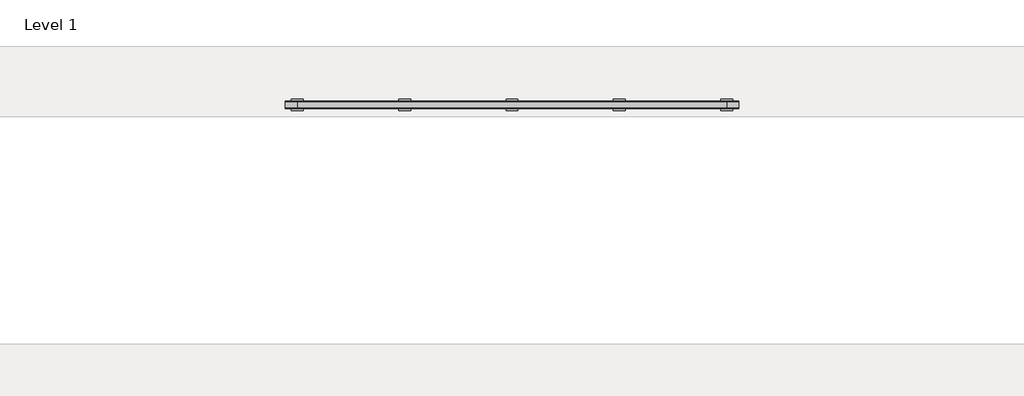
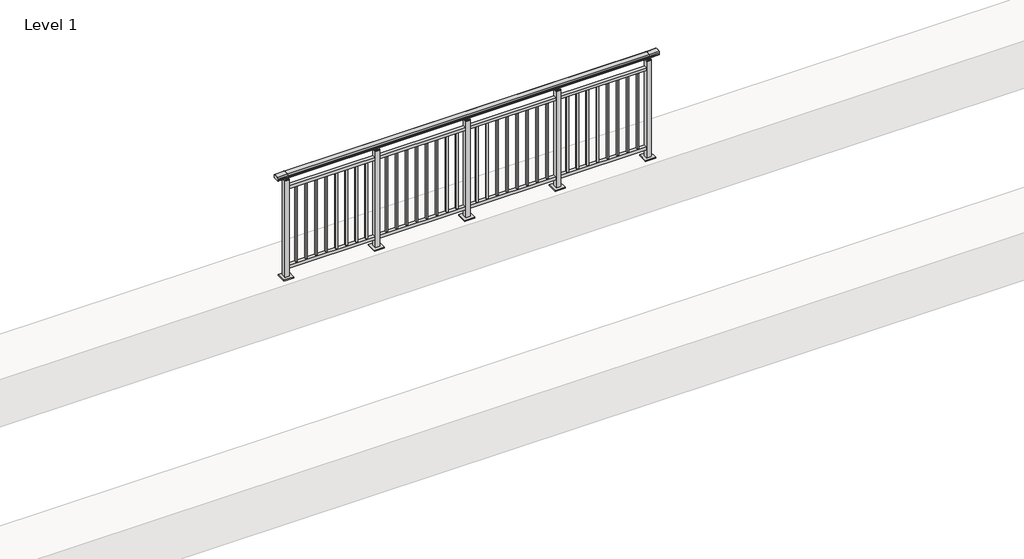
# One storey, part 13 of 64: 1 railing.
"""IFC4 building model written with IfcOpenShell, lengths in millimetres."""

from ifc_helpers import new_model, si_unit, frame, origin, origin_with_axes, place, context, project, spatial, polyline, circle_curve, outline, extrude, element, save
from ifc_brep_helpers import plane_surface, cylinder_surface, revolved_surface, advanced_brep

model = new_model("IFC4")

# Units and contexts
model_context = context("Model", 3, world=origin())
ifc_project = project(units=[si_unit("LENGTHUNIT", "METRE", prefix="MILLI")], contexts=[model_context])

# Site, building, storey
site = spatial("IfcSite", under=ifc_project)
building = spatial("IfcBuilding", under=site)
storey = spatial("IfcBuildingStorey", under=building, Name="Level 1", Elevation=0.0)

# Railing
placement = place(None, origin())
element("IfcRailing", 1, at=placement, inside=storey, context=model_context, shape_type="SolidModel", body=[
    advanced_brep(
    [(6400.0, 7525.3633756, 1095.6691182), (6400.0, 7530.1846828, 1081.1334092), (6400.0, 7529.2413744, 1069.2539035), (6400.0, 7531.1364177, 1061.4863007), (6400.0, 7529.4894799, 1060.384124), (6400.0, 7529.4894799, 1062.0), (6400.0, 7470.8798858, 1062.0), (6400.0, 7470.8798858, 1060.384124), (6400.0, 7469.232948, 1061.4863007), (6400.0, 7471.1279912, 1069.2539035), (6400.0, 7470.1846828, 1081.1334092), (6400.0, 7475.00599, 1095.6691182), (10200.0, 7525.3633756, 1095.6691182), (10200.0, 7475.00599, 1095.6691182), (10200.0, 7470.1846828, 1081.1334092), (10200.0, 7471.1279912, 1069.2539035), (10200.0, 7469.232948, 1061.4863007), (10200.0, 7470.8798858, 1060.384124), (10200.0, 7470.8798858, 1062.0), (10200.0, 7529.4894799, 1062.0), (10200.0, 7529.4894799, 1060.384124), (10200.0, 7531.1364177, 1061.4863007), (10200.0, 7529.2413744, 1069.2539035), (10200.0, 7530.1846828, 1081.1334092), (6500.0, 7525.3633756, 1095.6691182), (6500.0, 7530.1846828, 1081.1334092), (6500.0, 7529.2413744, 1069.2539035), (6500.0, 7531.1364177, 1061.4863007), (6500.0, 7529.4894799, 1060.384124), (6500.0, 7529.4894799, 1062.0), (6500.0, 7470.8798858, 1062.0), (6500.0, 7470.8798858, 1060.384124), (6500.0, 7469.232948, 1061.4863007), (6500.0, 7471.1279912, 1069.2539035), (6500.0, 7470.1846828, 1081.1334092), (6500.0, 7475.00599, 1095.6691182), (10100.0, 7525.3633756, 1095.6691182), (10100.0, 7530.1846828, 1081.1334092), (10100.0, 7529.2413744, 1069.2539035), (10100.0, 7531.1364177, 1061.4863007), (10100.0, 7529.4894799, 1060.384124), (10100.0, 7529.4894799, 1062.0), (10100.0, 7470.8798858, 1062.0), (10100.0, 7470.8798858, 1060.384124), (10100.0, 7469.232948, 1061.4863007), (10100.0, 7471.1279912, 1069.2539035), (10100.0, 7470.1846828, 1081.1334092), (10100.0, 7475.00599, 1095.6691182)],
    [
        (0, 1, circle_curve(frame((6400.0, 7522.1223845, 1086.526686), z_axis=(-1.0, 0.0, 0.0), x_axis=(0.0, -1.0, 0.0)), 9.6999015)),
        (1, 2, circle_curve(frame((6400.0, 7547.7252545, 1073.7633709), z_axis=(1.0, 0.0, 0.0), x_axis=(0.0, -1.0, 0.0)), 19.0260117)),
        (2, 3),
        (3, 4, circle_curve(frame((6400.0, 7530.2772073, 1060.9886194), z_axis=(-1.0, 0.0, 0.0), x_axis=(0.0, -1.0, 0.0)), 0.9929396)),
        (4, 5),
        (5, 6),
        (6, 7),
        (7, 8, circle_curve(frame((6400.0, 7470.0921584, 1060.9886194), z_axis=(-1.0, 0.0, 0.0), x_axis=(0.0, 1.0, 0.0)), 0.9929396)),
        (8, 9),
        (9, 10, circle_curve(frame((6400.0, 7452.6441111, 1073.7633709), z_axis=(1.0, 0.0, 0.0), x_axis=(0.0, 1.0, 0.0)), 19.0260117)),
        (10, 11, circle_curve(frame((6400.0, 7478.2469812, 1086.526686), z_axis=(-1.0, 0.0, 0.0), x_axis=(0.0, 1.0, 0.0)), 9.6999015)),
        (11, 0, circle_curve(frame((6400.0, 7500.1846828, 1024.6431628), z_axis=(-1.0, 0.0, 0.0), x_axis=(0.0, 1.0, 0.0)), 75.3568372)),
        (12, 13, circle_curve(frame((10200.0, 7500.1846828, 1024.6431628), z_axis=(1.0, 0.0, 0.0), x_axis=(0.0, 1.0, 0.0)), 75.3568372)),
        (13, 14, circle_curve(frame((10200.0, 7478.2469812, 1086.526686), z_axis=(1.0, 0.0, 0.0), x_axis=(0.0, 1.0, 0.0)), 9.6999015)),
        (14, 15, circle_curve(frame((10200.0, 7452.6441111, 1073.7633709), z_axis=(-1.0, 0.0, 0.0), x_axis=(0.0, 1.0, 0.0)), 19.0260117)),
        (15, 16),
        (16, 17, circle_curve(frame((10200.0, 7470.0921584, 1060.9886194), z_axis=(1.0, 0.0, 0.0), x_axis=(0.0, 1.0, 0.0)), 0.9929396)),
        (17, 18),
        (18, 19),
        (19, 20),
        (20, 21, circle_curve(frame((10200.0, 7530.2772073, 1060.9886194), z_axis=(1.0, 0.0, 0.0), x_axis=(0.0, -1.0, 0.0)), 0.9929396)),
        (21, 22),
        (22, 23, circle_curve(frame((10200.0, 7547.7252545, 1073.7633709), z_axis=(-1.0, 0.0, 0.0), x_axis=(0.0, -1.0, 0.0)), 19.0260117)),
        (23, 12, circle_curve(frame((10200.0, 7522.1223845, 1086.526686), z_axis=(1.0, 0.0, 0.0), x_axis=(0.0, -1.0, 0.0)), 9.6999015)),
        (0, 24),
        (24, 25, circle_curve(frame((6500.0, 7522.1223845, 1086.526686), z_axis=(-1.0, 0.0, 0.0), x_axis=(0.0, -1.0, 0.0)), 9.6999015)),
        (25, 1),
        (25, 26, circle_curve(frame((6500.0, 7547.7252545, 1073.7633709), z_axis=(1.0, 0.0, 0.0), x_axis=(0.0, -1.0, 0.0)), 19.0260117)),
        (26, 2),
        (26, 27),
        (27, 3),
        (27, 28, circle_curve(frame((6500.0, 7530.2772073, 1060.9886194), z_axis=(-1.0, 0.0, 0.0), x_axis=(0.0, -1.0, 0.0)), 0.9929396)),
        (28, 4),
        (28, 29),
        (29, 5),
        (29, 30),
        (30, 6),
        (30, 31),
        (31, 7),
        (31, 32, circle_curve(frame((6500.0, 7470.0921584, 1060.9886194), z_axis=(-1.0, 0.0, 0.0), x_axis=(0.0, 1.0, 0.0)), 0.9929396)),
        (32, 8),
        (32, 33),
        (33, 9),
        (33, 34, circle_curve(frame((6500.0, 7452.6441111, 1073.7633709), z_axis=(1.0, 0.0, 0.0), x_axis=(0.0, 1.0, 0.0)), 19.0260117)),
        (34, 10),
        (34, 35, circle_curve(frame((6500.0, 7478.2469812, 1086.526686), z_axis=(-1.0, 0.0, 0.0), x_axis=(0.0, 1.0, 0.0)), 9.6999015)),
        (35, 11),
        (35, 24, circle_curve(frame((6500.0, 7500.1846828, 1024.6431628), z_axis=(-1.0, 0.0, 0.0), x_axis=(0.0, 1.0, 0.0)), 75.3568372)),
        (24, 36),
        (36, 37, circle_curve(frame((10100.0, 7522.1223845, 1086.526686), z_axis=(-1.0, 0.0, 0.0), x_axis=(0.0, -1.0, 0.0)), 9.6999015)),
        (37, 25),
        (37, 38, circle_curve(frame((10100.0, 7547.7252545, 1073.7633709), z_axis=(1.0, 0.0, 0.0), x_axis=(0.0, -1.0, 0.0)), 19.0260117)),
        (38, 26),
        (38, 39),
        (39, 27),
        (39, 40, circle_curve(frame((10100.0, 7530.2772073, 1060.9886194), z_axis=(-1.0, 0.0, 0.0), x_axis=(0.0, -1.0, 0.0)), 0.9929396)),
        (40, 28),
        (40, 41),
        (41, 29),
        (41, 42),
        (42, 30),
        (42, 43),
        (43, 31),
        (43, 44, circle_curve(frame((10100.0, 7470.0921584, 1060.9886194), z_axis=(-1.0, 0.0, 0.0), x_axis=(0.0, 1.0, 0.0)), 0.9929396)),
        (44, 32),
        (44, 45),
        (45, 33),
        (45, 46, circle_curve(frame((10100.0, 7452.6441111, 1073.7633709), z_axis=(1.0, 0.0, 0.0), x_axis=(0.0, 1.0, 0.0)), 19.0260117)),
        (46, 34),
        (46, 47, circle_curve(frame((10100.0, 7478.2469812, 1086.526686), z_axis=(-1.0, 0.0, 0.0), x_axis=(0.0, 1.0, 0.0)), 9.6999015)),
        (47, 35),
        (47, 36, circle_curve(frame((10100.0, 7500.1846828, 1024.6431628), z_axis=(-1.0, 0.0, 0.0), x_axis=(0.0, 1.0, 0.0)), 75.3568372)),
        (36, 12),
        (23, 37),
        (22, 38),
        (21, 39),
        (20, 40),
        (19, 41),
        (18, 42),
        (17, 43),
        (16, 44),
        (15, 45),
        (14, 46),
        (13, 47),
    ],
    [
        plane_surface(frame((6400.0, 7500.1846828, 1100.0), z_axis=(-1.0, 0.0, 0.0), x_axis=(0.0, 1.0, 0.0))),
        plane_surface(frame((10200.0, 7500.1846828, 1100.0), z_axis=(1.0, 0.0, 0.0), x_axis=(0.0, 1.0, 0.0))),
        cylinder_surface(frame((6400.0, 7522.1223845, 1086.526686), z_axis=(-1.0, 0.0, 0.0), x_axis=(0.0, -1.0, 0.0)), 9.6999015),
        revolved_surface(polyline([(6500.0, 7528.6992428, 1073.7633709), (6400.0, 7528.6992428, 1073.7633709)]), (6400.0, 7547.7252545, 1073.7633709), (1.0, 0.0, 0.0)),
        plane_surface(frame((6400.0, 7529.2413744, 1069.2539035), z_axis=(0.0, 0.9715057689301543, 0.2370159086125439), x_axis=(1.0, 0.0, 0.0))),
        cylinder_surface(frame((6400.0, 7530.2772073, 1060.9886194), z_axis=(-1.0, 0.0, 0.0), x_axis=(0.0, -1.0, 0.0)), 0.9929396),
        plane_surface(frame((6400.0, 7529.4894799, 1060.384124), z_axis=(0.0, -1.0, 0.0), x_axis=(1.0, 0.0, 0.0))),
        plane_surface(frame((6400.0, 7529.4894799, 1062.0), z_axis=(0.0, 0.0, -1.0), x_axis=(1.0, 0.0, 0.0))),
        plane_surface(frame((6400.0, 7470.8798858, 1062.0), z_axis=(0.0, 1.0, 0.0), x_axis=(1.0, 0.0, 0.0))),
        cylinder_surface(frame((6400.0, 7470.0921584, 1060.9886194), z_axis=(-1.0, 0.0, 0.0), x_axis=(0.0, 1.0, 0.0)), 0.9929396),
        plane_surface(frame((6400.0, 7469.232948, 1061.4863007), z_axis=(0.0, -0.9715057689301543, 0.2370159086125439), x_axis=(1.0, 0.0, 0.0))),
        revolved_surface(polyline([(6500.0, 7471.6701228, 1073.7633709), (6400.0, 7471.6701228, 1073.7633709)]), (6400.0, 7452.6441111, 1073.7633709), (1.0, 0.0, 0.0)),
        cylinder_surface(frame((6400.0, 7478.2469812, 1086.526686), z_axis=(-1.0, 0.0, 0.0), x_axis=(0.0, 1.0, 0.0)), 9.6999015),
        cylinder_surface(frame((6400.0, 7500.1846828, 1024.6431628), z_axis=(-1.0, 0.0, 0.0), x_axis=(0.0, 1.0, 0.0)), 75.3568372),
        cylinder_surface(frame((6500.0, 7522.1223845, 1086.526686), z_axis=(-1.0, 0.0, 0.0), x_axis=(0.0, -1.0, 0.0)), 9.6999015),
        revolved_surface(polyline([(10100.0, 7528.6992428, 1073.7633709), (6500.0, 7528.6992428, 1073.7633709)]), (6500.0, 7547.7252545, 1073.7633709), (1.0, 0.0, 0.0)),
        plane_surface(frame((6500.0, 7529.2413744, 1069.2539035), z_axis=(0.0, 0.9715057689301543, 0.2370159086125439), x_axis=(1.0, 0.0, 0.0))),
        cylinder_surface(frame((6500.0, 7530.2772073, 1060.9886194), z_axis=(-1.0, 0.0, 0.0), x_axis=(0.0, -1.0, 0.0)), 0.9929396),
        plane_surface(frame((6500.0, 7529.4894799, 1060.384124), z_axis=(0.0, -1.0, 0.0), x_axis=(1.0, 0.0, 0.0))),
        plane_surface(frame((6500.0, 7529.4894799, 1062.0), z_axis=(0.0, 0.0, -1.0), x_axis=(1.0, 0.0, 0.0))),
        plane_surface(frame((6500.0, 7470.8798858, 1062.0), z_axis=(0.0, 1.0, 0.0), x_axis=(1.0, 0.0, 0.0))),
        cylinder_surface(frame((6500.0, 7470.0921584, 1060.9886194), z_axis=(-1.0, 0.0, 0.0), x_axis=(0.0, 1.0, 0.0)), 0.9929396),
        plane_surface(frame((6500.0, 7469.232948, 1061.4863007), z_axis=(0.0, -0.9715057689301543, 0.2370159086125439), x_axis=(1.0, 0.0, 0.0))),
        revolved_surface(polyline([(10100.0, 7471.6701228, 1073.7633709), (6500.0, 7471.6701228, 1073.7633709)]), (6500.0, 7452.6441111, 1073.7633709), (1.0, 0.0, 0.0)),
        cylinder_surface(frame((6500.0, 7478.2469812, 1086.526686), z_axis=(-1.0, 0.0, 0.0), x_axis=(0.0, 1.0, 0.0)), 9.6999015),
        cylinder_surface(frame((6500.0, 7500.1846828, 1024.6431628), z_axis=(-1.0, 0.0, 0.0), x_axis=(0.0, 1.0, 0.0)), 75.3568372),
        cylinder_surface(frame((10100.0, 7522.1223845, 1086.526686), z_axis=(-1.0, 0.0, 0.0), x_axis=(0.0, -1.0, 0.0)), 9.6999015),
        revolved_surface(polyline([(10200.0, 7528.6992428, 1073.7633709), (10100.0, 7528.6992428, 1073.7633709)]), (10100.0, 7547.7252545, 1073.7633709), (1.0, 0.0, 0.0)),
        plane_surface(frame((10100.0, 7529.2413744, 1069.2539035), z_axis=(0.0, 0.9715057689301543, 0.2370159086125439), x_axis=(1.0, 0.0, 0.0))),
        cylinder_surface(frame((10100.0, 7530.2772073, 1060.9886194), z_axis=(-1.0, 0.0, 0.0), x_axis=(0.0, -1.0, 0.0)), 0.9929396),
        plane_surface(frame((10100.0, 7529.4894799, 1060.384124), z_axis=(0.0, -1.0, 0.0), x_axis=(1.0, 0.0, 0.0))),
        plane_surface(frame((10100.0, 7529.4894799, 1062.0), z_axis=(0.0, 0.0, -1.0), x_axis=(1.0, 0.0, 0.0))),
        plane_surface(frame((10100.0, 7470.8798858, 1062.0), z_axis=(0.0, 1.0, 0.0), x_axis=(1.0, 0.0, 0.0))),
        cylinder_surface(frame((10100.0, 7470.0921584, 1060.9886194), z_axis=(-1.0, 0.0, 0.0), x_axis=(0.0, 1.0, 0.0)), 0.9929396),
        plane_surface(frame((10100.0, 7469.232948, 1061.4863007), z_axis=(0.0, -0.9715057689301543, 0.2370159086125439), x_axis=(1.0, 0.0, 0.0))),
        revolved_surface(polyline([(10200.0, 7471.6701228, 1073.7633709), (10100.0, 7471.6701228, 1073.7633709)]), (10100.0, 7452.6441111, 1073.7633709), (1.0, 0.0, 0.0)),
        cylinder_surface(frame((10100.0, 7478.2469812, 1086.526686), z_axis=(-1.0, 0.0, 0.0), x_axis=(0.0, 1.0, 0.0)), 9.6999015),
        cylinder_surface(frame((10100.0, 7500.1846828, 1024.6431628), z_axis=(-1.0, 0.0, 0.0), x_axis=(0.0, 1.0, 0.0)), 75.3568372),
    ],
    [
        (0, [[1, 2, 3, 4, 5, 6, 7, 8, 9, 10, 11, 12]]),
        (1, [[13, 14, 15, 16, 17, 18, 19, 20, 21, 22, 23, 24]]),
        (2, [[-1, 25, 26, 27]]),
        (3, [[-2, -27, 28, 29]]),
        (4, [[-3, -29, 30, 31]]),
        (5, [[-4, -31, 32, 33]]),
        (6, [[-5, -33, 34, 35]]),
        (7, [[-6, -35, 36, 37]]),
        (8, [[-7, -37, 38, 39]]),
        (9, [[-8, -39, 40, 41]]),
        (10, [[-9, -41, 42, 43]]),
        (11, [[-10, -43, 44, 45]]),
        (12, [[-11, -45, 46, 47]]),
        (13, [[-12, -47, 48, -25]]),
        (14, [[-26, 49, 50, 51]]),
        (15, [[-28, -51, 52, 53]]),
        (16, [[-30, -53, 54, 55]]),
        (17, [[-32, -55, 56, 57]]),
        (18, [[-34, -57, 58, 59]]),
        (19, [[-36, -59, 60, 61]]),
        (20, [[-38, -61, 62, 63]]),
        (21, [[-40, -63, 64, 65]]),
        (22, [[-42, -65, 66, 67]]),
        (23, [[-44, -67, 68, 69]]),
        (24, [[-46, -69, 70, 71]]),
        (25, [[-48, -71, 72, -49]]),
        (26, [[-50, 73, -24, 74]]),
        (27, [[-52, -74, -23, 75]]),
        (28, [[-54, -75, -22, 76]]),
        (29, [[-56, -76, -21, 77]]),
        (30, [[-58, -77, -20, 78]]),
        (31, [[-60, -78, -19, 79]]),
        (32, [[-62, -79, -18, 80]]),
        (33, [[-64, -80, -17, 81]]),
        (34, [[-66, -81, -16, 82]]),
        (35, [[-68, -82, -15, 83]]),
        (36, [[-70, -83, -14, 84]]),
        (37, [[-72, -84, -13, -73]]),
    ],
),
    extrude(outline(polyline([(6500.0, 7482.6846828), (6500.0, 7517.6846828), (10100.0, 7517.6846828), (10100.0, 7482.6846828), (6500.0, 7482.6846828)])), frame((0.0, 0.0, 930.0), z_axis=(0.0, 0.0, 1.0), x_axis=(1.0, 0.0, 0.0)), (0.0, 0.0, 1.0), 30.0),
    extrude(outline(polyline([(6500.0, 7482.6846828), (6500.0, 7517.6846828), (10100.0, 7517.6846828), (10100.0, 7482.6846828), (6500.0, 7482.6846828)])), frame((0.0, 0.0, 95.0), z_axis=(0.0, 0.0, 1.0), x_axis=(1.0, 0.0, 0.0)), (0.0, 0.0, 1.0), 30.0),
    extrude(outline(polyline([(10008.5, 7508.6846828), (10008.5, 7491.6846828), (9991.5, 7491.6846828), (9991.5, 7508.6846828), (10008.5, 7508.6846828)])), frame((0.0, 0.0, 125.0), z_axis=(0.0, 0.0, 1.0), x_axis=(1.0, 0.0, 0.0)), (0.0, 0.0, 1.0), 805.0),
    extrude(outline(polyline([(9908.5, 7508.6846828), (9908.5, 7491.6846828), (9891.5, 7491.6846828), (9891.5, 7508.6846828), (9908.5, 7508.6846828)])), frame((0.0, 0.0, 125.0), z_axis=(0.0, 0.0, 1.0), x_axis=(1.0, 0.0, 0.0)), (0.0, 0.0, 1.0), 805.0),
    extrude(outline(polyline([(9808.5, 7508.6846828), (9808.5, 7491.6846828), (9791.5, 7491.6846828), (9791.5, 7508.6846828), (9808.5, 7508.6846828)])), frame((0.0, 0.0, 125.0), z_axis=(0.0, 0.0, 1.0), x_axis=(1.0, 0.0, 0.0)), (0.0, 0.0, 1.0), 805.0),
    extrude(outline(polyline([(9708.5, 7508.6846828), (9708.5, 7491.6846828), (9691.5, 7491.6846828), (9691.5, 7508.6846828), (9708.5, 7508.6846828)])), frame((0.0, 0.0, 125.0), z_axis=(0.0, 0.0, 1.0), x_axis=(1.0, 0.0, 0.0)), (0.0, 0.0, 1.0), 805.0),
    extrude(outline(polyline([(9608.5, 7508.6846828), (9608.5, 7491.6846828), (9591.5, 7491.6846828), (9591.5, 7508.6846828), (9608.5, 7508.6846828)])), frame((0.0, 0.0, 125.0), z_axis=(0.0, 0.0, 1.0), x_axis=(1.0, 0.0, 0.0)), (0.0, 0.0, 1.0), 805.0),
    extrude(outline(polyline([(9508.5, 7508.6846828), (9508.5, 7491.6846828), (9491.5, 7491.6846828), (9491.5, 7508.6846828), (9508.5, 7508.6846828)])), frame((0.0, 0.0, 125.0), z_axis=(0.0, 0.0, 1.0), x_axis=(1.0, 0.0, 0.0)), (0.0, 0.0, 1.0), 805.0),
    extrude(outline(polyline([(9408.5, 7508.6846828), (9408.5, 7491.6846828), (9391.5, 7491.6846828), (9391.5, 7508.6846828), (9408.5, 7508.6846828)])), frame((0.0, 0.0, 125.0), z_axis=(0.0, 0.0, 1.0), x_axis=(1.0, 0.0, 0.0)), (0.0, 0.0, 1.0), 805.0),
    extrude(outline(polyline([(9308.5, 7508.6846828), (9308.5, 7491.6846828), (9291.5, 7491.6846828), (9291.5, 7508.6846828), (9308.5, 7508.6846828)])), frame((0.0, 0.0, 125.0), z_axis=(0.0, 0.0, 1.0), x_axis=(1.0, 0.0, 0.0)), (0.0, 0.0, 1.0), 805.0),
    extrude(outline(polyline([(9210.0, 7490.1846828), (9190.0, 7490.1846828), (9190.0, 7510.1846828), (9210.0, 7510.1846828), (9210.0, 7490.1846828)])), frame((0.0, 0.0, 1035.0), z_axis=(0.0, 0.0, 1.0), x_axis=(1.0, 0.0, 0.0)), (0.0, 0.0, 1.0), 20.0),
    extrude(outline(polyline([(9222.5, 7477.6846828), (9177.5, 7477.6846828), (9177.5, 7522.6846828), (9222.5, 7522.6846828), (9222.5, 7477.6846828)])), frame((0.0, 0.0, 1027.0), z_axis=(0.0, 0.0, 1.0), x_axis=(1.0, 0.0, 0.0)), (0.0, 0.0, 1.0), 8.0),
    extrude(outline(polyline([(9250.0, 7450.1846828), (9150.0, 7450.1846828), (9150.0, 7550.1846828), (9250.0, 7550.1846828), (9250.0, 7450.1846828)])), origin_with_axes(), (0.0, 0.0, 1.0), 12.0),
    extrude(outline(polyline([(9222.5, 7477.6846828), (9177.5, 7477.6846828), (9177.5, 7522.6846828), (9222.5, 7522.6846828), (9222.5, 7477.6846828)])), frame((0.0, 0.0, 12.0), z_axis=(0.0, 0.0, 1.0), x_axis=(1.0, 0.0, 0.0)), (0.0, 0.0, 1.0), 1015.0),
    extrude(outline(polyline([(9108.5, 7508.6846828), (9108.5, 7491.6846828), (9091.5, 7491.6846828), (9091.5, 7508.6846828), (9108.5, 7508.6846828)])), frame((0.0, 0.0, 125.0), z_axis=(0.0, 0.0, 1.0), x_axis=(1.0, 0.0, 0.0)), (0.0, 0.0, 1.0), 805.0),
    extrude(outline(polyline([(9008.5, 7508.6846828), (9008.5, 7491.6846828), (8991.5, 7491.6846828), (8991.5, 7508.6846828), (9008.5, 7508.6846828)])), frame((0.0, 0.0, 125.0), z_axis=(0.0, 0.0, 1.0), x_axis=(1.0, 0.0, 0.0)), (0.0, 0.0, 1.0), 805.0),
    extrude(outline(polyline([(8908.5, 7508.6846828), (8908.5, 7491.6846828), (8891.5, 7491.6846828), (8891.5, 7508.6846828), (8908.5, 7508.6846828)])), frame((0.0, 0.0, 125.0), z_axis=(0.0, 0.0, 1.0), x_axis=(1.0, 0.0, 0.0)), (0.0, 0.0, 1.0), 805.0),
    extrude(outline(polyline([(8808.5, 7508.6846828), (8808.5, 7491.6846828), (8791.5, 7491.6846828), (8791.5, 7508.6846828), (8808.5, 7508.6846828)])), frame((0.0, 0.0, 125.0), z_axis=(0.0, 0.0, 1.0), x_axis=(1.0, 0.0, 0.0)), (0.0, 0.0, 1.0), 805.0),
    extrude(outline(polyline([(8708.5, 7508.6846828), (8708.5, 7491.6846828), (8691.5, 7491.6846828), (8691.5, 7508.6846828), (8708.5, 7508.6846828)])), frame((0.0, 0.0, 125.0), z_axis=(0.0, 0.0, 1.0), x_axis=(1.0, 0.0, 0.0)), (0.0, 0.0, 1.0), 805.0),
    extrude(outline(polyline([(8608.5, 7508.6846828), (8608.5, 7491.6846828), (8591.5, 7491.6846828), (8591.5, 7508.6846828), (8608.5, 7508.6846828)])), frame((0.0, 0.0, 125.0), z_axis=(0.0, 0.0, 1.0), x_axis=(1.0, 0.0, 0.0)), (0.0, 0.0, 1.0), 805.0),
    extrude(outline(polyline([(8508.5, 7508.6846828), (8508.5, 7491.6846828), (8491.5, 7491.6846828), (8491.5, 7508.6846828), (8508.5, 7508.6846828)])), frame((0.0, 0.0, 125.0), z_axis=(0.0, 0.0, 1.0), x_axis=(1.0, 0.0, 0.0)), (0.0, 0.0, 1.0), 805.0),
    extrude(outline(polyline([(8408.5, 7508.6846828), (8408.5, 7491.6846828), (8391.5, 7491.6846828), (8391.5, 7508.6846828), (8408.5, 7508.6846828)])), frame((0.0, 0.0, 125.0), z_axis=(0.0, 0.0, 1.0), x_axis=(1.0, 0.0, 0.0)), (0.0, 0.0, 1.0), 805.0),
    extrude(outline(polyline([(8310.0, 7490.1846828), (8290.0, 7490.1846828), (8290.0, 7510.1846828), (8310.0, 7510.1846828), (8310.0, 7490.1846828)])), frame((0.0, 0.0, 1035.0), z_axis=(0.0, 0.0, 1.0), x_axis=(1.0, 0.0, 0.0)), (0.0, 0.0, 1.0), 20.0),
    extrude(outline(polyline([(8322.5, 7477.6846828), (8277.5, 7477.6846828), (8277.5, 7522.6846828), (8322.5, 7522.6846828), (8322.5, 7477.6846828)])), frame((0.0, 0.0, 1027.0), z_axis=(0.0, 0.0, 1.0), x_axis=(1.0, 0.0, 0.0)), (0.0, 0.0, 1.0), 8.0),
    extrude(outline(polyline([(8350.0, 7450.1846828), (8250.0, 7450.1846828), (8250.0, 7550.1846828), (8350.0, 7550.1846828), (8350.0, 7450.1846828)])), origin_with_axes(), (0.0, 0.0, 1.0), 12.0),
    extrude(outline(polyline([(8322.5, 7477.6846828), (8277.5, 7477.6846828), (8277.5, 7522.6846828), (8322.5, 7522.6846828), (8322.5, 7477.6846828)])), frame((0.0, 0.0, 12.0), z_axis=(0.0, 0.0, 1.0), x_axis=(1.0, 0.0, 0.0)), (0.0, 0.0, 1.0), 1015.0),
    extrude(outline(polyline([(8208.5, 7508.6846828), (8208.5, 7491.6846828), (8191.5, 7491.6846828), (8191.5, 7508.6846828), (8208.5, 7508.6846828)])), frame((0.0, 0.0, 125.0), z_axis=(0.0, 0.0, 1.0), x_axis=(1.0, 0.0, 0.0)), (0.0, 0.0, 1.0), 805.0),
    extrude(outline(polyline([(8108.5, 7508.6846828), (8108.5, 7491.6846828), (8091.5, 7491.6846828), (8091.5, 7508.6846828), (8108.5, 7508.6846828)])), frame((0.0, 0.0, 125.0), z_axis=(0.0, 0.0, 1.0), x_axis=(1.0, 0.0, 0.0)), (0.0, 0.0, 1.0), 805.0),
    extrude(outline(polyline([(8008.5, 7508.6846828), (8008.5, 7491.6846828), (7991.5, 7491.6846828), (7991.5, 7508.6846828), (8008.5, 7508.6846828)])), frame((0.0, 0.0, 125.0), z_axis=(0.0, 0.0, 1.0), x_axis=(1.0, 0.0, 0.0)), (0.0, 0.0, 1.0), 805.0),
    extrude(outline(polyline([(7908.5, 7508.6846828), (7908.5, 7491.6846828), (7891.5, 7491.6846828), (7891.5, 7508.6846828), (7908.5, 7508.6846828)])), frame((0.0, 0.0, 125.0), z_axis=(0.0, 0.0, 1.0), x_axis=(1.0, 0.0, 0.0)), (0.0, 0.0, 1.0), 805.0),
    extrude(outline(polyline([(7808.5, 7508.6846828), (7808.5, 7491.6846828), (7791.5, 7491.6846828), (7791.5, 7508.6846828), (7808.5, 7508.6846828)])), frame((0.0, 0.0, 125.0), z_axis=(0.0, 0.0, 1.0), x_axis=(1.0, 0.0, 0.0)), (0.0, 0.0, 1.0), 805.0),
    extrude(outline(polyline([(7708.5, 7508.6846828), (7708.5, 7491.6846828), (7691.5, 7491.6846828), (7691.5, 7508.6846828), (7708.5, 7508.6846828)])), frame((0.0, 0.0, 125.0), z_axis=(0.0, 0.0, 1.0), x_axis=(1.0, 0.0, 0.0)), (0.0, 0.0, 1.0), 805.0),
    extrude(outline(polyline([(7608.5, 7508.6846828), (7608.5, 7491.6846828), (7591.5, 7491.6846828), (7591.5, 7508.6846828), (7608.5, 7508.6846828)])), frame((0.0, 0.0, 125.0), z_axis=(0.0, 0.0, 1.0), x_axis=(1.0, 0.0, 0.0)), (0.0, 0.0, 1.0), 805.0),
    extrude(outline(polyline([(7508.5, 7508.6846828), (7508.5, 7491.6846828), (7491.5, 7491.6846828), (7491.5, 7508.6846828), (7508.5, 7508.6846828)])), frame((0.0, 0.0, 125.0), z_axis=(0.0, 0.0, 1.0), x_axis=(1.0, 0.0, 0.0)), (0.0, 0.0, 1.0), 805.0),
    extrude(outline(polyline([(7410.0, 7490.1846828), (7390.0, 7490.1846828), (7390.0, 7510.1846828), (7410.0, 7510.1846828), (7410.0, 7490.1846828)])), frame((0.0, 0.0, 1035.0), z_axis=(0.0, 0.0, 1.0), x_axis=(1.0, 0.0, 0.0)), (0.0, 0.0, 1.0), 20.0),
    extrude(outline(polyline([(7422.5, 7477.6846828), (7377.5, 7477.6846828), (7377.5, 7522.6846828), (7422.5, 7522.6846828), (7422.5, 7477.6846828)])), frame((0.0, 0.0, 1027.0), z_axis=(0.0, 0.0, 1.0), x_axis=(1.0, 0.0, 0.0)), (0.0, 0.0, 1.0), 8.0),
    extrude(outline(polyline([(7450.0, 7450.1846828), (7350.0, 7450.1846828), (7350.0, 7550.1846828), (7450.0, 7550.1846828), (7450.0, 7450.1846828)])), origin_with_axes(), (0.0, 0.0, 1.0), 12.0),
    extrude(outline(polyline([(7422.5, 7477.6846828), (7377.5, 7477.6846828), (7377.5, 7522.6846828), (7422.5, 7522.6846828), (7422.5, 7477.6846828)])), frame((0.0, 0.0, 12.0), z_axis=(0.0, 0.0, 1.0), x_axis=(1.0, 0.0, 0.0)), (0.0, 0.0, 1.0), 1015.0),
    extrude(outline(polyline([(7308.5, 7508.6846828), (7308.5, 7491.6846828), (7291.5, 7491.6846828), (7291.5, 7508.6846828), (7308.5, 7508.6846828)])), frame((0.0, 0.0, 125.0), z_axis=(0.0, 0.0, 1.0), x_axis=(1.0, 0.0, 0.0)), (0.0, 0.0, 1.0), 805.0),
    extrude(outline(polyline([(7208.5, 7508.6846828), (7208.5, 7491.6846828), (7191.5, 7491.6846828), (7191.5, 7508.6846828), (7208.5, 7508.6846828)])), frame((0.0, 0.0, 125.0), z_axis=(0.0, 0.0, 1.0), x_axis=(1.0, 0.0, 0.0)), (0.0, 0.0, 1.0), 805.0),
    extrude(outline(polyline([(7108.5, 7508.6846828), (7108.5, 7491.6846828), (7091.5, 7491.6846828), (7091.5, 7508.6846828), (7108.5, 7508.6846828)])), frame((0.0, 0.0, 125.0), z_axis=(0.0, 0.0, 1.0), x_axis=(1.0, 0.0, 0.0)), (0.0, 0.0, 1.0), 805.0),
    extrude(outline(polyline([(7008.5, 7508.6846828), (7008.5, 7491.6846828), (6991.5, 7491.6846828), (6991.5, 7508.6846828), (7008.5, 7508.6846828)])), frame((0.0, 0.0, 125.0), z_axis=(0.0, 0.0, 1.0), x_axis=(1.0, 0.0, 0.0)), (0.0, 0.0, 1.0), 805.0),
    extrude(outline(polyline([(6908.5, 7508.6846828), (6908.5, 7491.6846828), (6891.5, 7491.6846828), (6891.5, 7508.6846828), (6908.5, 7508.6846828)])), frame((0.0, 0.0, 125.0), z_axis=(0.0, 0.0, 1.0), x_axis=(1.0, 0.0, 0.0)), (0.0, 0.0, 1.0), 805.0),
    extrude(outline(polyline([(6808.5, 7508.6846828), (6808.5, 7491.6846828), (6791.5, 7491.6846828), (6791.5, 7508.6846828), (6808.5, 7508.6846828)])), frame((0.0, 0.0, 125.0), z_axis=(0.0, 0.0, 1.0), x_axis=(1.0, 0.0, 0.0)), (0.0, 0.0, 1.0), 805.0),
    extrude(outline(polyline([(6708.5, 7508.6846828), (6708.5, 7491.6846828), (6691.5, 7491.6846828), (6691.5, 7508.6846828), (6708.5, 7508.6846828)])), frame((0.0, 0.0, 125.0), z_axis=(0.0, 0.0, 1.0), x_axis=(1.0, 0.0, 0.0)), (0.0, 0.0, 1.0), 805.0),
    extrude(outline(polyline([(6608.5, 7508.6846828), (6608.5, 7491.6846828), (6591.5, 7491.6846828), (6591.5, 7508.6846828), (6608.5, 7508.6846828)])), frame((0.0, 0.0, 125.0), z_axis=(0.0, 0.0, 1.0), x_axis=(1.0, 0.0, 0.0)), (0.0, 0.0, 1.0), 805.0),
    extrude(outline(polyline([(10110.0, 7490.1846828), (10090.0, 7490.1846828), (10090.0, 7510.1846828), (10110.0, 7510.1846828), (10110.0, 7490.1846828)])), frame((0.0, 0.0, 1035.0), z_axis=(0.0, 0.0, 1.0), x_axis=(1.0, 0.0, 0.0)), (0.0, 0.0, 1.0), 20.0),
    extrude(outline(polyline([(10122.5, 7477.6846828), (10077.5, 7477.6846828), (10077.5, 7522.6846828), (10122.5, 7522.6846828), (10122.5, 7477.6846828)])), frame((0.0, 0.0, 1027.0), z_axis=(0.0, 0.0, 1.0), x_axis=(1.0, 0.0, 0.0)), (0.0, 0.0, 1.0), 8.0),
    extrude(outline(polyline([(10150.0, 7450.1846828), (10050.0, 7450.1846828), (10050.0, 7550.1846828), (10150.0, 7550.1846828), (10150.0, 7450.1846828)])), origin_with_axes(), (0.0, 0.0, 1.0), 12.0),
    extrude(outline(polyline([(10122.5, 7477.6846828), (10077.5, 7477.6846828), (10077.5, 7522.6846828), (10122.5, 7522.6846828), (10122.5, 7477.6846828)])), frame((0.0, 0.0, 12.0), z_axis=(0.0, 0.0, 1.0), x_axis=(1.0, 0.0, 0.0)), (0.0, 0.0, 1.0), 1015.0),
    extrude(outline(polyline([(6510.0, 7490.1846828), (6490.0, 7490.1846828), (6490.0, 7510.1846828), (6510.0, 7510.1846828), (6510.0, 7490.1846828)])), frame((0.0, 0.0, 1035.0), z_axis=(0.0, 0.0, 1.0), x_axis=(1.0, 0.0, 0.0)), (0.0, 0.0, 1.0), 20.0),
    extrude(outline(polyline([(6522.5, 7477.6846828), (6477.5, 7477.6846828), (6477.5, 7522.6846828), (6522.5, 7522.6846828), (6522.5, 7477.6846828)])), frame((0.0, 0.0, 1027.0), z_axis=(0.0, 0.0, 1.0), x_axis=(1.0, 0.0, 0.0)), (0.0, 0.0, 1.0), 8.0),
    extrude(outline(polyline([(6550.0, 7450.1846828), (6450.0, 7450.1846828), (6450.0, 7550.1846828), (6550.0, 7550.1846828), (6550.0, 7450.1846828)])), origin_with_axes(), (0.0, 0.0, 1.0), 12.0),
    extrude(outline(polyline([(6522.5, 7477.6846828), (6477.5, 7477.6846828), (6477.5, 7522.6846828), (6522.5, 7522.6846828), (6522.5, 7477.6846828)])), frame((0.0, 0.0, 12.0), z_axis=(0.0, 0.0, 1.0), x_axis=(1.0, 0.0, 0.0)), (0.0, 0.0, 1.0), 1015.0),
])

save(model, "model.ifc")
